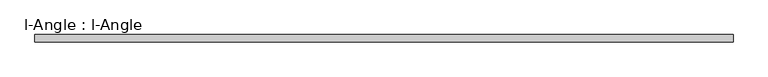
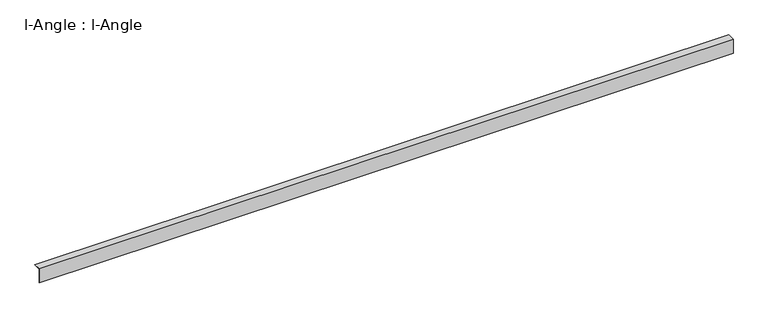
"""IFC4 building model written with IfcOpenShell, lengths in millimetres: proxy geometry, l-Angle : l-Angle."""

from ifc_helpers import new_model, si_unit, frame, origin, place, context, project, spatial, polyline, outline, extrude, source, transform, mapped, element, save


def l_angle_l_angle_3d976c3b(model_context):
    return source(origin(), model_context, "Body", "SweptSolid", [
        extrude(outline(polyline([(0.0, -100.0), (0.0, 0.0), (50.0, 0.0), (50.0, -1.9174464), (2.0, -1.9174464), (2.0, -100.0), (0.0, -100.0)])), frame((0.0, 0.0, 0.0), z_axis=(1.0, 0.0, 0.0), x_axis=(0.0, 1.0, 0.0)), (0.0, 0.0, 1.0), 4685.0488953),
    ])


if __name__ == "__main__":
    model = new_model("IFC4")
    model_context = context("Model", 3, world=origin())
    ifc_project = project(units=[si_unit("LENGTHUNIT", "METRE", prefix="MILLI")], contexts=[model_context])
    site = spatial("IfcSite", under=ifc_project)
    building = spatial("IfcBuilding", under=site)
    placement = place(None, origin())
    l_angle_l_angle_shape = l_angle_l_angle_3d976c3b(model_context)
    element("IfcBuildingElementProxy", 1, Name="l-Angle : l-Angle", ObjectType="l-Angle : l-Angle", at=placement, inside=building, context=model_context, shape_type="MappedRepresentation", body=[
        mapped(l_angle_l_angle_shape, transform((0.0, 0.0, 0.0), x_axis=(1.0, 0.0, 0.0), y_axis=(0.0, 1.0, 0.0), z_axis=(0.0, 0.0, 1.0))),
    ])
    save(model, "model.ifc")
